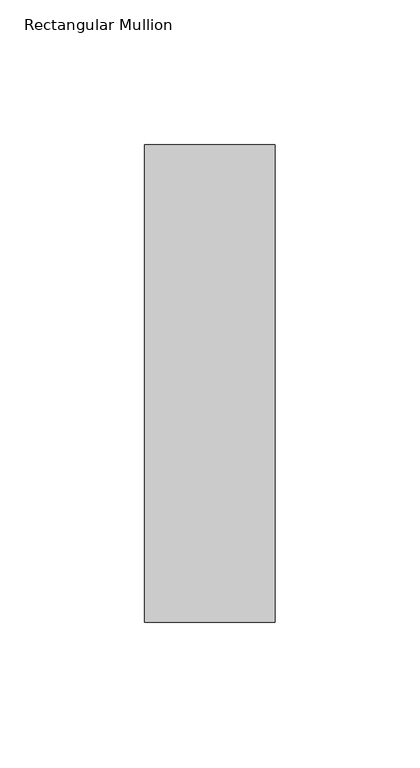
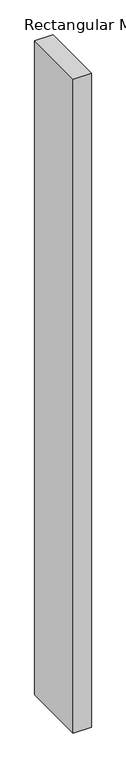
"""IFC4 building model written with IfcOpenShell, lengths in millimetres: member geometry, Rectangular Mullion."""

from ifc_helpers import new_model, si_unit, frame, origin, place, context, project, spatial, polyline, outline, extrude, source, transform, mapped, element, save


def rectangular_mullion_4d1360c9(model_context):
    return source(origin(), model_context, "Body", "SweptSolid", [
        extrude(outline(polyline([(22.5, 117.84375), (22.5, -46.84375), (-22.5, -46.84375), (-22.5, 117.84375), (22.5, 117.84375)])), frame((0.0, 0.0, -1708.8912252), z_axis=(0.0, 0.0, 1.0), x_axis=(1.0, 0.0, 0.0)), (0.0, 0.0, 1.0), 1708.8912252),
    ])


if __name__ == "__main__":
    model = new_model("IFC4")
    model_context = context("Model", 3, world=origin())
    ifc_project = project(units=[si_unit("LENGTHUNIT", "METRE", prefix="MILLI")], contexts=[model_context])
    site = spatial("IfcSite", under=ifc_project)
    building = spatial("IfcBuilding", under=site)
    placement = place(None, origin())
    rectangular_mullion_shape = rectangular_mullion_4d1360c9(model_context)
    element("IfcMember", 1, ObjectType="Rectangular Mullion", at=placement, inside=building, context=model_context, shape_type="MappedRepresentation", body=[
        mapped(rectangular_mullion_shape, transform((0.0, 0.0, 0.0), x_axis=(1.0, 0.0, 0.0), y_axis=(0.0, 1.0, 0.0), z_axis=(0.0, 0.0, 1.0))),
    ])
    save(model, "model.ifc")
